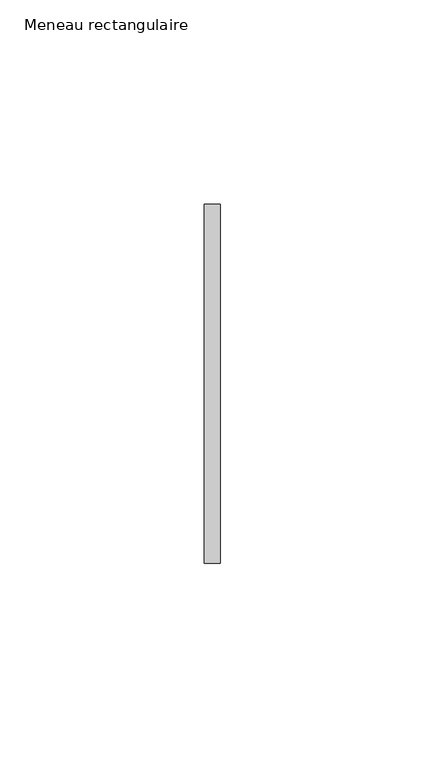
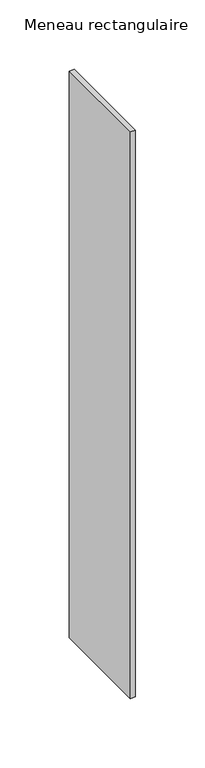
"""IFC4 building model written with IfcOpenShell, lengths in millimetres: member geometry, Meneau rectangulaire."""

from ifc_helpers import new_model, si_unit, frame, origin, place, context, project, spatial, polyline, outline, extrude, source, transform, mapped, element, save


def meneau_rectangulaire_793ed602(model_context):
    return source(origin(), model_context, "Body", "SweptSolid", [
        extrude(outline(polyline([(-2.0, 44.0), (2.0, 44.0), (2.0, -44.0), (-2.0, -44.0), (-2.0, 44.0)])), frame((0.0, 0.0, -498.5), z_axis=(0.0, 0.0, 1.0), x_axis=(1.0, 0.0, 0.0)), (0.0, 0.0, 1.0), 498.5),
    ])


if __name__ == "__main__":
    model = new_model("IFC4")
    model_context = context("Model", 3, world=origin())
    ifc_project = project(units=[si_unit("LENGTHUNIT", "METRE", prefix="MILLI")], contexts=[model_context])
    site = spatial("IfcSite", under=ifc_project)
    building = spatial("IfcBuilding", under=site)
    placement = place(None, origin())
    meneau_rectangulaire_shape = meneau_rectangulaire_793ed602(model_context)
    element("IfcMember", 1, ObjectType="Meneau rectangulaire", at=placement, inside=building, context=model_context, shape_type="MappedRepresentation", body=[
        mapped(meneau_rectangulaire_shape, transform((0.0, 0.0, 0.0), x_axis=(1.0, 0.0, 0.0), y_axis=(0.0, 1.0, 0.0), z_axis=(0.0, 0.0, 1.0))),
    ])
    save(model, "model.ifc")
